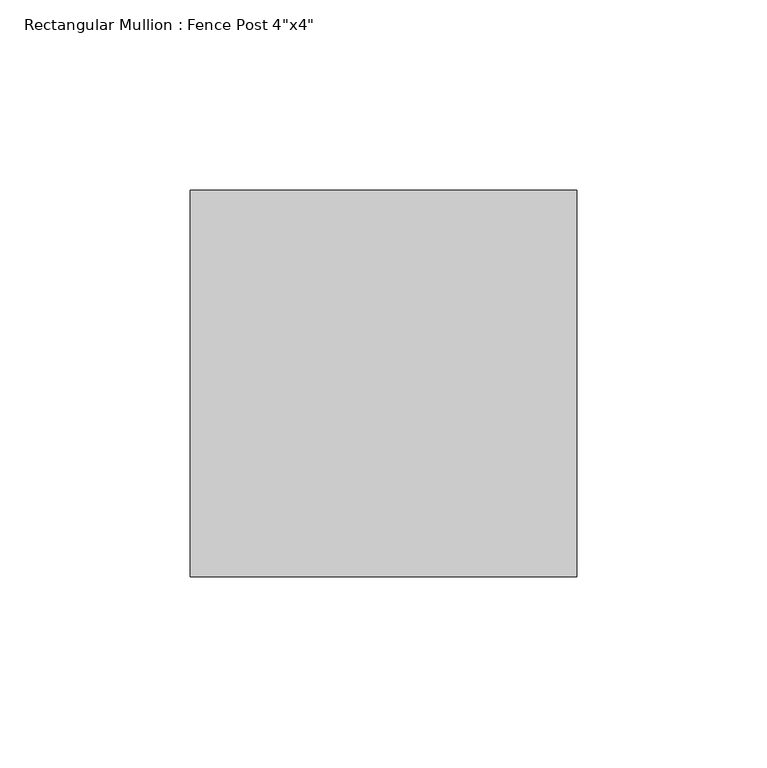
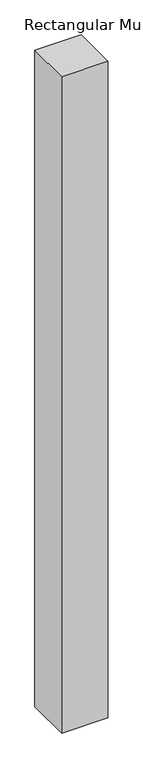
"""IFC4 building model written with IfcOpenShell, lengths in millimetres: member geometry."""

from ifc_helpers import new_model, si_unit, frame, origin, place, context, project, spatial, polyline, outline, extrude, source, transform, mapped, element, save


def member_6673bd53(model_context):
    return source(origin(), model_context, "Body", "SweptSolid", [
        extrude(outline(polyline([(0.0, 50.8), (0.0, -50.8), (-101.6, -50.8), (-101.6, 50.8), (0.0, 50.8)])), frame((0.0, 0.0, -1524.0), z_axis=(0.0, 0.0, 1.0), x_axis=(1.0, 0.0, 0.0)), (0.0, 0.0, 1.0), 1524.0),
    ])


if __name__ == "__main__":
    model = new_model("IFC4")
    model_context = context("Model", 3, world=origin())
    ifc_project = project(units=[si_unit("LENGTHUNIT", "METRE", prefix="MILLI")], contexts=[model_context])
    site = spatial("IfcSite", under=ifc_project)
    building = spatial("IfcBuilding", under=site)
    placement = place(None, origin())
    member_shape = member_6673bd53(model_context)
    element("IfcMember", 1, ObjectType="Rectangular Mullion : Fence Post 4\"x4\"", at=placement, inside=building, context=model_context, shape_type="MappedRepresentation", body=[
        mapped(member_shape, transform((0.0, 0.0, 0.0), x_axis=(1.0, 0.0, 0.0), y_axis=(0.0, 1.0, 0.0), z_axis=(0.0, 0.0, 1.0))),
    ])
    save(model, "model.ifc")
